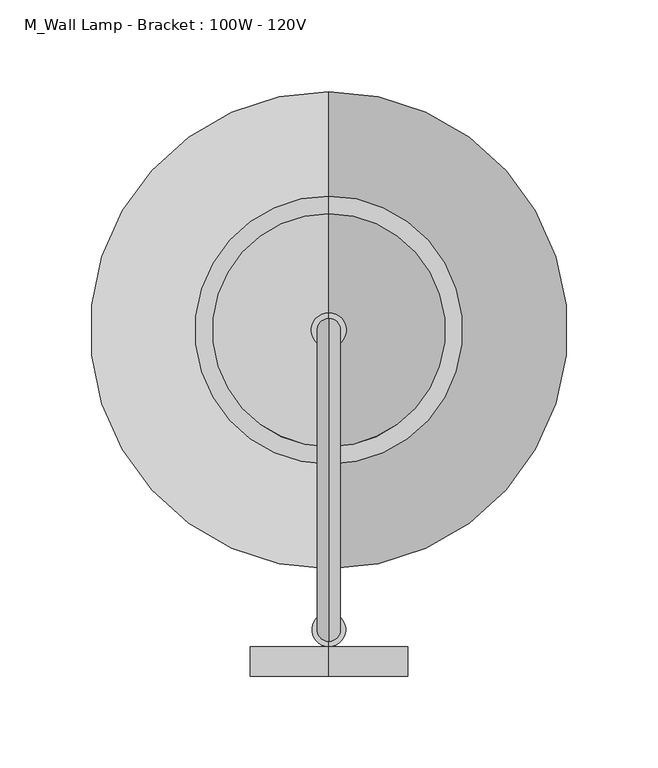
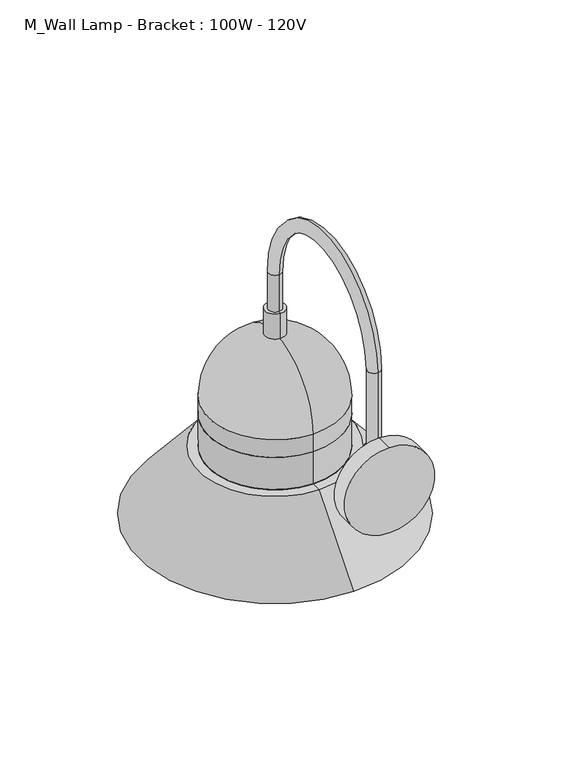
"""IFC4 building model written with IfcOpenShell, lengths in millimetres: light fixture geometry, M_Wall Lamp - Bracket : 100W - 120V."""

from ifc_helpers import new_model, si_unit, point, frame, frame_2d, origin, place, context, project, spatial, polyline, circle_curve, ellipse_curve, trimmed, segment, composite_curve, outline, extrude, source, transform, mapped, element, save
from ifc_brep_helpers import plane_surface, cylinder_surface, revolved_surface, advanced_brep


def m_wall_lamp_bracket_100w_120v_9613907b(model_context):
    return source(origin(), model_context, "Body", "SolidModel", [
        advanced_brep(
        [(-36.3556627, 74.0895413, 2413.7644247), (-36.3556627, 86.7895413, 2413.7644247), (-36.3556627, 86.7895413, 2334.6251468), (-36.3556627, 74.0895413, 2334.6251468), (-36.3556627, 250.2625, 2413.7644247), (-36.3556627, 237.5625, 2413.7644247), (-36.3556627, 250.2625, 2376.6250104), (-36.3556627, 237.5625, 2376.6250104), (-36.3556627, 71.2393793, 2334.6251468), (-36.3556627, 89.6397034, 2334.6251468), (-36.3556627, 89.6397034, 2307.1079598), (-36.3556627, 71.2393793, 2307.1079598), (-36.3556627, 80.4395413, 2297.9077977)],
        [
            (0, 1, circle_curve(frame((-36.3556627, 80.4395413, 2413.7644247), z_axis=(0.0, 0.0, -1.0), x_axis=(0.0, 1.0, 0.0)), 6.35)),
            (1, 2),
            (2, 3, circle_curve(frame((-36.3556627, 80.4395413, 2334.6251468), z_axis=(0.0, 0.0, 1.0), x_axis=(0.0, 1.0, 0.0)), 6.35)),
            (3, 0),
            (1, 0, circle_curve(frame((-36.3556627, 80.4395413, 2413.7644247), z_axis=(0.0, 0.0, -1.0), x_axis=(0.0, 1.0, 0.0)), 6.35)),
            (3, 2, circle_curve(frame((-36.3556627, 80.4395413, 2334.6251468), z_axis=(0.0, 0.0, 1.0), x_axis=(0.0, 1.0, 0.0)), 6.35)),
            (0, 4, circle_curve(frame((-36.3556627, 162.1760207, 2413.7644247), z_axis=(-1.0, 0.0, 0.0), x_axis=(0.0, -1.0, 0.0)), 88.0864793)),
            (4, 5, circle_curve(frame((-36.3556627, 243.9125, 2413.7644247), z_axis=(0.0, 0.0, 1.0), x_axis=(0.0, -1.0, 0.0)), 6.35)),
            (5, 1, circle_curve(frame((-36.3556627, 162.1760207, 2413.7644247), z_axis=(1.0, 0.0, 0.0), x_axis=(0.0, -1.0, 0.0)), 75.3864793)),
            (5, 4, circle_curve(frame((-36.3556627, 243.9125, 2413.7644247), z_axis=(0.0, 0.0, 1.0), x_axis=(0.0, -1.0, 0.0)), 6.35)),
            (6, 7, circle_curve(frame((-36.3556627, 243.9125, 2376.6250104), z_axis=(0.0, 0.0, -1.0), x_axis=(0.0, -1.0, 0.0)), 6.35)),
            (7, 6, circle_curve(frame((-36.3556627, 243.9125, 2376.6250104), z_axis=(0.0, 0.0, -1.0), x_axis=(0.0, -1.0, 0.0)), 6.35)),
            (4, 6),
            (7, 5),
            (8, 9, circle_curve(frame((-36.3556627, 80.4395413, 2334.6251468), z_axis=(0.0, 0.0, 1.0), x_axis=(0.0, -1.0, 0.0)), 9.2001621)),
            (9, 2),
            (3, 8),
            (9, 8, circle_curve(frame((-36.3556627, 80.4395413, 2334.6251468), z_axis=(0.0, 0.0, 1.0), x_axis=(0.0, -1.0, 0.0)), 9.2001621)),
            (10, 11, circle_curve(frame((-36.3556627, 80.4395413, 2307.1079598), z_axis=(0.0, 0.0, -1.0), x_axis=(0.0, -1.0, 0.0)), 9.2001621)),
            (11, 12, circle_curve(frame((-36.3556627, 80.4395413, 2307.1079598), z_axis=(1.0, 0.0, 0.0), x_axis=(0.0, -1.0, 0.0)), 9.2001621)),
            (12, 10, circle_curve(frame((-36.3556627, 80.4395413, 2307.1079598), z_axis=(1.0, 0.0, 0.0), x_axis=(0.0, 1.0, 0.0)), 9.2001621)),
            (11, 10, circle_curve(frame((-36.3556627, 80.4395413, 2307.1079598), z_axis=(0.0, 0.0, -1.0), x_axis=(0.0, -1.0, 0.0)), 9.2001621)),
            (8, 11),
            (10, 9),
        ],
        [
            cylinder_surface(frame((-36.3556627, 80.4395413, 2317.75), z_axis=(0.0, 0.0, -1.0), x_axis=(0.0, 1.0, 0.0)), 6.35),
            revolved_surface(trimmed(ellipse_curve(frame((-36.3556627, 80.4395413, 2413.7644247), z_axis=(0.0, 0.0, -1.0), x_axis=(0.0, 1.0, 0.0)), 6.35, 6.35), [point((-36.3556627, 74.0895413, 2413.7644247))], [point((-36.3556627, 86.7895413, 2413.7644247))], True, "CARTESIAN"), (-36.3556627, 162.1760207, 2413.7644247), (-1.0, 0.0, 0.0)),
            revolved_surface(trimmed(ellipse_curve(frame((-36.3556627, 80.4395413, 2413.7644247), z_axis=(0.0, 0.0, -1.0), x_axis=(0.0, 1.0, 0.0)), 6.35, 6.35), [point((-36.3556627, 86.7895413, 2413.7644247))], [point((-36.3556627, 74.0895413, 2413.7644247))], True, "CARTESIAN"), (-36.3556627, 162.1760207, 2413.7644247), (-1.0, 0.0, 0.0)),
            plane_surface(frame((-36.3556627, 237.5625, 2376.6250104), z_axis=(0.0, 0.0, -1.0), x_axis=(-1.0, 0.0, 0.0))),
            cylinder_surface(frame((-36.3556627, 243.9125, 2413.7644247), z_axis=(0.0, 0.0, 1.0), x_axis=(0.0, -1.0, 0.0)), 6.35),
            plane_surface(frame((-36.3556627, 80.4395413, 2334.6251468), z_axis=(0.0, 0.0, 1.0), x_axis=(0.0, -1.0, 0.0))),
            revolved_surface(trimmed(ellipse_curve(frame((-36.3556627, 80.4395413, 2307.1079598), z_axis=(-1.0, 0.0, 0.0), x_axis=(0.0, -1.0, 0.0)), 9.2001621, 9.2001621), [point((-36.3556627, 80.4395413, 2297.9077977))], [point((-36.3556627, 71.2393793, 2307.1079598))], True, "CARTESIAN"), (-36.3556627, 80.4395413, 2472.7469008), (0.0, 0.0, 1.0)),
            cylinder_surface(frame((-36.3556627, 80.4395413, 2472.7469008), z_axis=(0.0, 0.0, 1.0), x_axis=(0.0, -1.0, 0.0)), 9.2001621),
        ],
        [
            (0, [[1, 2, 3, 4]]),
            (0, [[5, -4, 6, -2]]),
            (1, [[-1, 7, 8, 9]]),
            (2, [[-5, -9, 10, -7]]),
            (3, [[11, 12]]),
            (4, [[-8, 13, -12, 14]]),
            (4, [[-10, -14, -11, -13]]),
            (5, [[15, 16, -6, 17]]),
            (5, [[18, -17, -3, -16]]),
            (6, [[19, 20, 21]]),
            (6, [[-20, 22, -21]]),
            (7, [[-15, 23, -19, 24]]),
            (7, [[-18, -24, -22, -23]]),
        ],
    ),
        extrude(outline(composite_curve([segment(trimmed(circle_curve(frame_2d((2307.1079598, -36.3556627)), 43.0116676), [point((2264.0962922, -36.3556627))], [point((2350.1196273, -36.3556627))], False, "CARTESIAN"), True, "CONTINUOUS"), segment(trimmed(circle_curve(frame_2d((2307.1079598, -36.3556627)), 43.0116676), [point((2350.1196273, -36.3556627))], [point((2264.0962922, -36.3556627))], False, "CARTESIAN"), True, "CONTINUOUS")], self_intersect=False)), frame((0.0, 55.0, 0.0), z_axis=(0.0, 1.0, 0.0), x_axis=(0.0, 0.0, 1.0)), (0.0, 0.0, 1.0), 16.2393793),
        advanced_brep(
        [(-36.3556627, 307.4125, 2237.5701357), (-36.3556627, 180.4125, 2237.5701357), (-36.3556627, 180.4125, 2197.1), (-36.3556627, 307.4125, 2197.1), (-36.3556627, 243.9125, 2237.5701357), (-36.3556627, 243.9125, 2133.6)],
        [
            (0, 1, circle_curve(frame((-36.3556627, 243.9125, 2237.5701357), z_axis=(0.0, 0.0, -1.0), x_axis=(0.0, -1.0, 0.0)), 63.5)),
            (1, 2),
            (2, 3, circle_curve(frame((-36.3556627, 243.9125, 2197.1), z_axis=(0.0, 0.0, 1.0), x_axis=(0.0, -1.0, 0.0)), 63.5)),
            (3, 0),
            (1, 0, circle_curve(frame((-36.3556627, 243.9125, 2237.5701357), z_axis=(0.0, 0.0, -1.0), x_axis=(0.0, -1.0, 0.0)), 63.5)),
            (3, 2, circle_curve(frame((-36.3556627, 243.9125, 2197.1), z_axis=(0.0, 0.0, 1.0), x_axis=(0.0, -1.0, 0.0)), 63.5)),
            (4, 1),
            (0, 4),
            (2, 5, circle_curve(frame((-36.3556627, 243.9125, 2197.1), z_axis=(1.0, 0.0, 0.0), x_axis=(0.0, -1.0, 0.0)), 63.5)),
            (5, 3, circle_curve(frame((-36.3556627, 243.9125, 2197.1), z_axis=(1.0, 0.0, 0.0), x_axis=(0.0, 1.0, 0.0)), 63.5)),
        ],
        [
            cylinder_surface(frame((-36.3556627, 243.9125, -914.4), z_axis=(0.0, 0.0, 1.0), x_axis=(0.0, -1.0, 0.0)), 63.5),
            plane_surface(frame((-36.3556627, 243.9125, 2237.5701357), z_axis=(0.0, 0.0, 1.0), x_axis=(0.0, -1.0, 0.0))),
            revolved_surface(trimmed(ellipse_curve(frame((-36.3556627, 243.9125, 2197.1), z_axis=(-1.0, 0.0, 0.0), x_axis=(0.0, -1.0, 0.0)), 63.5, 63.5), [point((-36.3556627, 243.9125, 2133.6))], [point((-36.3556627, 180.4125, 2197.1))], True, "CARTESIAN"), (-36.3556627, 243.9125, -914.4), (0.0, 0.0, 1.0)),
        ],
        [
            (0, [[1, 2, 3, 4]]),
            (0, [[5, -4, 6, -2]]),
            (1, [[7, -1, 8]]),
            (1, [[-8, -5, -7]]),
            (2, [[-3, 9, 10]]),
            (2, [[-6, -10, -9]]),
        ],
    ),
        advanced_brep(
        [(-36.3556627, 307.4125, 2269.8272766), (-36.3556627, 180.4125, 2269.8272766), (-36.3556627, 180.4125, 2237.5701357), (-36.3556627, 307.4125, 2237.5701357), (-36.3556627, 304.2375, 2269.8272766), (-36.3556627, 183.5875, 2269.8272766), (-36.3556627, 304.2375, 2234.3951357), (-36.3556627, 183.5875, 2234.3951357), (-36.3556627, 315.6669546, 2234.3951357), (-36.3556627, 172.1580454, 2234.3951357), (-36.3556627, 369.947628, 2169.5241129), (-36.3556627, 117.877372, 2169.5241129), (-36.3556627, 374.0875, 2169.5241129), (-36.3556627, 113.7375, 2169.5241129), (-36.3556627, 317.1501529, 2237.5701357), (-36.3556627, 170.6748471, 2237.5701357)],
        [
            (0, 1, circle_curve(frame((-36.3556627, 243.9125, 2269.8272766), z_axis=(0.0, 0.0, -1.0), x_axis=(0.0, -1.0, 0.0)), 63.5)),
            (1, 2),
            (2, 3, circle_curve(frame((-36.3556627, 243.9125, 2237.5701357), z_axis=(0.0, 0.0, 1.0), x_axis=(0.0, -1.0, 0.0)), 63.5)),
            (3, 0),
            (1, 0, circle_curve(frame((-36.3556627, 243.9125, 2269.8272766), z_axis=(0.0, 0.0, -1.0), x_axis=(0.0, -1.0, 0.0)), 63.5)),
            (3, 2, circle_curve(frame((-36.3556627, 243.9125, 2237.5701357), z_axis=(0.0, 0.0, 1.0), x_axis=(0.0, -1.0, 0.0)), 63.5)),
            (4, 5, circle_curve(frame((-36.3556627, 243.9125, 2269.8272766), z_axis=(0.0, 0.0, -1.0), x_axis=(0.0, -1.0, 0.0)), 60.325)),
            (5, 1),
            (0, 4),
            (5, 4, circle_curve(frame((-36.3556627, 243.9125, 2269.8272766), z_axis=(0.0, 0.0, -1.0), x_axis=(0.0, -1.0, 0.0)), 60.325)),
            (6, 7, circle_curve(frame((-36.3556627, 243.9125, 2234.3951357), z_axis=(0.0, 0.0, -1.0), x_axis=(0.0, -1.0, 0.0)), 60.325)),
            (7, 5),
            (4, 6),
            (7, 6, circle_curve(frame((-36.3556627, 243.9125, 2234.3951357), z_axis=(0.0, 0.0, -1.0), x_axis=(0.0, -1.0, 0.0)), 60.325)),
            (8, 9, circle_curve(frame((-36.3556627, 243.9125, 2234.3951357), z_axis=(0.0, 0.0, -1.0), x_axis=(0.0, -1.0, 0.0)), 71.7544546)),
            (9, 7),
            (6, 8),
            (9, 8, circle_curve(frame((-36.3556627, 243.9125, 2234.3951357), z_axis=(0.0, 0.0, -1.0), x_axis=(0.0, -1.0, 0.0)), 71.7544546)),
            (10, 11, circle_curve(frame((-36.3556627, 243.9125, 2169.5241129), z_axis=(0.0, 0.0, -1.0), x_axis=(0.0, -1.0, 0.0)), 126.035128)),
            (11, 9),
            (8, 10),
            (11, 10, circle_curve(frame((-36.3556627, 243.9125, 2169.5241129), z_axis=(0.0, 0.0, -1.0), x_axis=(0.0, -1.0, 0.0)), 126.035128)),
            (12, 13, circle_curve(frame((-36.3556627, 243.9125, 2169.5241129), z_axis=(0.0, 0.0, -1.0), x_axis=(0.0, -1.0, 0.0)), 130.175)),
            (13, 11),
            (10, 12),
            (13, 12, circle_curve(frame((-36.3556627, 243.9125, 2169.5241129), z_axis=(0.0, 0.0, -1.0), x_axis=(0.0, -1.0, 0.0)), 130.175)),
            (14, 15, circle_curve(frame((-36.3556627, 243.9125, 2237.5701357), z_axis=(0.0, 0.0, -1.0), x_axis=(0.0, -1.0, 0.0)), 73.2376529)),
            (15, 13),
            (12, 14),
            (15, 14, circle_curve(frame((-36.3556627, 243.9125, 2237.5701357), z_axis=(0.0, 0.0, -1.0), x_axis=(0.0, -1.0, 0.0)), 73.2376529)),
            (2, 15),
            (14, 3),
        ],
        [
            cylinder_surface(frame((-36.3556627, 243.9125, -914.4), z_axis=(0.0, 0.0, 1.0), x_axis=(0.0, -1.0, 0.0)), 63.5),
            plane_surface(frame((-36.3556627, 243.9125, 2269.8272766), z_axis=(0.0, 0.0, 1.0), x_axis=(0.0, -1.0, 0.0))),
            revolved_surface(polyline([(-36.3556627, 183.58749999999998, 2269.8272766), (-36.3556627, 183.58749999999998, 2234.3951357)]), (-36.3556627, 243.9125, -914.4), (0.0, 0.0, 1.0)),
            plane_surface(frame((-36.3556627, 243.9125, 2234.3951357), z_axis=(0.0, 0.0, -1.0), x_axis=(0.0, -1.0, 0.0))),
            revolved_surface(polyline([(-36.3556627, 172.1580454, 2234.3951357), (-36.3556627, 117.877372, 2169.5241129)]), (-36.3556627, 243.9125, -914.4), (0.0, 0.0, 1.0)),
            plane_surface(frame((-36.3556627, 243.9125, 2169.5241129), z_axis=(0.0, 0.0, -1.0), x_axis=(0.0, -1.0, 0.0))),
            revolved_surface(polyline([(-36.3556627, 113.7375, 2169.5241129), (-36.3556627, 170.6748471, 2237.5701357)]), (-36.3556627, 243.9125, -914.4), (0.0, 0.0, 1.0)),
            plane_surface(frame((-36.3556627, 243.9125, 2237.5701357), z_axis=(0.0, 0.0, 1.0), x_axis=(0.0, -1.0, 0.0))),
        ],
        [
            (0, [[1, 2, 3, 4]]),
            (0, [[5, -4, 6, -2]]),
            (1, [[7, 8, -1, 9]]),
            (1, [[10, -9, -5, -8]]),
            (2, [[11, 12, -7, 13]]),
            (2, [[14, -13, -10, -12]]),
            (3, [[15, 16, -11, 17]]),
            (3, [[18, -17, -14, -16]]),
            (4, [[19, 20, -15, 21]]),
            (4, [[22, -21, -18, -20]]),
            (5, [[23, 24, -19, 25]]),
            (5, [[26, -25, -22, -24]]),
            (6, [[27, 28, -23, 29]]),
            (6, [[30, -29, -26, -28]]),
            (7, [[-3, 31, -27, 32]]),
            (7, [[-6, -32, -30, -31]]),
        ],
    ),
        advanced_brep(
        [(-36.3556627, 307.4125, 2287.7818991), (-36.3556627, 180.4125, 2287.7818991), (-36.3556627, 180.4125, 2269.8272766), (-36.3556627, 307.4125, 2269.8272766), (-36.3556627, 243.9125, 2351.2818991), (-36.3556627, 243.9125, 2269.8272766)],
        [
            (0, 1, circle_curve(frame((-36.3556627, 243.9125, 2287.7818991), z_axis=(0.0, 0.0, -1.0), x_axis=(0.0, -1.0, 0.0)), 63.5)),
            (1, 2),
            (2, 3, circle_curve(frame((-36.3556627, 243.9125, 2269.8272766), z_axis=(0.0, 0.0, 1.0), x_axis=(0.0, -1.0, 0.0)), 63.5)),
            (3, 0),
            (1, 0, circle_curve(frame((-36.3556627, 243.9125, 2287.7818991), z_axis=(0.0, 0.0, -1.0), x_axis=(0.0, -1.0, 0.0)), 63.5)),
            (3, 2, circle_curve(frame((-36.3556627, 243.9125, 2269.8272766), z_axis=(0.0, 0.0, 1.0), x_axis=(0.0, -1.0, 0.0)), 63.5)),
            (4, 1, circle_curve(frame((-36.3556627, 243.9125, 2287.7818991), z_axis=(1.0, 0.0, 0.0), x_axis=(0.0, -1.0, 0.0)), 63.5)),
            (0, 4, circle_curve(frame((-36.3556627, 243.9125, 2287.7818991), z_axis=(1.0, 0.0, 0.0), x_axis=(0.0, 1.0, 0.0)), 63.5)),
            (2, 5),
            (5, 3),
        ],
        [
            cylinder_surface(frame((-36.3556627, 243.9125, -914.4), z_axis=(0.0, 0.0, 1.0), x_axis=(0.0, -1.0, 0.0)), 63.5),
            revolved_surface(trimmed(ellipse_curve(frame((-36.3556627, 243.9125, 2287.7818991), z_axis=(-1.0, 0.0, 0.0), x_axis=(0.0, -1.0, 0.0)), 63.5, 63.5), [point((-36.3556627, 180.4125, 2287.7818991))], [point((-36.3556627, 243.9125, 2351.2818991))], True, "CARTESIAN"), (-36.3556627, 243.9125, -914.4), (0.0, 0.0, 1.0)),
            plane_surface(frame((-36.3556627, 243.9125, 2269.8272766), z_axis=(0.0, 0.0, -1.0), x_axis=(0.0, -1.0, 0.0))),
        ],
        [
            (0, [[1, 2, 3, 4]]),
            (0, [[5, -4, 6, -2]]),
            (1, [[7, -1, 8]]),
            (1, [[-8, -5, -7]]),
            (2, [[-3, 9, 10]]),
            (2, [[-6, -10, -9]]),
        ],
    ),
        advanced_brep(
        [(-36.3556627, 253.4375, 2351.5511541), (-36.3556627, 234.3875, 2351.5511541), (-36.3556627, 243.9125, 2351.5511541), (-36.3556627, 253.4375, 2376.6250104), (-36.3556627, 234.3875, 2376.6250104), (-36.3556627, 243.9125, 2376.6250104)],
        [
            (0, 1, circle_curve(frame((-36.3556627, 243.9125, 2351.5511541), z_axis=(0.0, 0.0, -1.0), x_axis=(0.0, -1.0, 0.0)), 9.525)),
            (1, 2),
            (2, 0),
            (1, 0, circle_curve(frame((-36.3556627, 243.9125, 2351.5511541), z_axis=(0.0, 0.0, -1.0), x_axis=(0.0, -1.0, 0.0)), 9.525)),
            (3, 4, circle_curve(frame((-36.3556627, 243.9125, 2376.6250104), z_axis=(0.0, 0.0, -1.0), x_axis=(0.0, -1.0, 0.0)), 9.525)),
            (4, 1),
            (0, 3),
            (4, 3, circle_curve(frame((-36.3556627, 243.9125, 2376.6250104), z_axis=(0.0, 0.0, -1.0), x_axis=(0.0, -1.0, 0.0)), 9.525)),
            (5, 4),
            (3, 5),
        ],
        [
            plane_surface(frame((-36.3556627, 243.9125, 2351.5511541), z_axis=(0.0, 0.0, -1.0), x_axis=(0.0, -1.0, 0.0))),
            cylinder_surface(frame((-36.3556627, 243.9125, -914.4), z_axis=(0.0, 0.0, 1.0), x_axis=(0.0, -1.0, 0.0)), 9.525),
            plane_surface(frame((-36.3556627, 243.9125, 2376.6250104), z_axis=(0.0, 0.0, 1.0), x_axis=(0.0, -1.0, 0.0))),
        ],
        [
            (0, [[1, 2, 3]]),
            (0, [[4, -3, -2]]),
            (1, [[5, 6, -1, 7]]),
            (1, [[8, -7, -4, -6]]),
            (2, [[9, -5, 10]]),
            (2, [[-10, -8, -9]]),
        ],
    ),
    ])


if __name__ == "__main__":
    model = new_model("IFC4")
    model_context = context("Model", 3, world=origin())
    ifc_project = project(units=[si_unit("LENGTHUNIT", "METRE", prefix="MILLI")], contexts=[model_context])
    site = spatial("IfcSite", under=ifc_project)
    building = spatial("IfcBuilding", under=site)
    placement = place(None, origin())
    m_wall_lamp_bracket_100w_120v_shape = m_wall_lamp_bracket_100w_120v_9613907b(model_context)
    element("IfcLightFixture", 1, ObjectType="M_Wall Lamp - Bracket : 100W - 120V", at=placement, inside=building, context=model_context, shape_type="MappedRepresentation", body=[
        mapped(m_wall_lamp_bracket_100w_120v_shape, transform((0.0, 0.0, 0.0), x_axis=(1.0, 0.0, 0.0), y_axis=(0.0, 1.0, 0.0), z_axis=(0.0, 0.0, 1.0))),
    ])
    save(model, "model.ifc")
